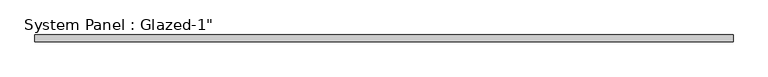
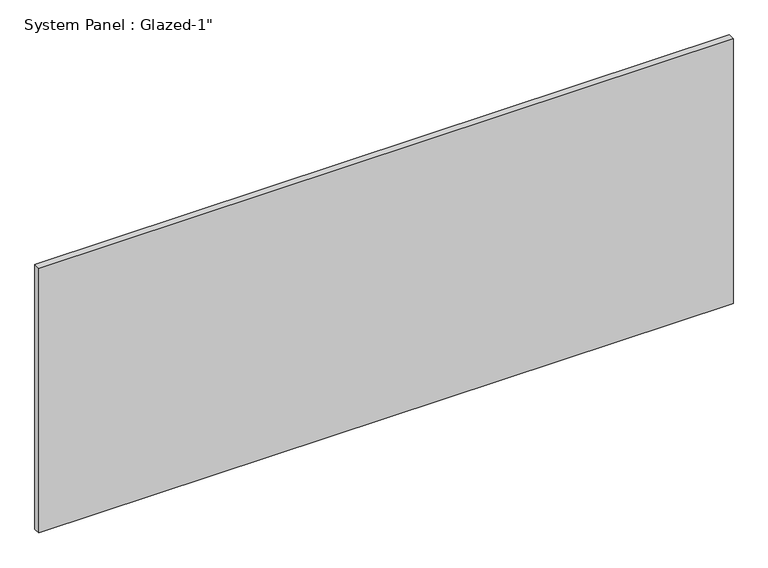
"""IFC4 building model written with IfcOpenShell, lengths in millimetres: plate geometry."""

from ifc_helpers import new_model, si_unit, origin, origin_with_axes, place, context, project, spatial, polyline, outline, extrude, source, transform, mapped, element, save


def plate_cff89b82(model_context):
    return source(origin(), model_context, "Body", "SweptSolid", [
        extrude(outline(polyline([(1289.05, 25.4), (-1289.05, 25.4), (-1289.05, 50.8), (1289.05, 50.8), (1289.05, 25.4)])), origin_with_axes(), (0.0, 0.0, 1.0), 1039.4893215),
    ])


if __name__ == "__main__":
    model = new_model("IFC4")
    model_context = context("Model", 3, world=origin())
    ifc_project = project(units=[si_unit("LENGTHUNIT", "METRE", prefix="MILLI")], contexts=[model_context])
    site = spatial("IfcSite", under=ifc_project)
    building = spatial("IfcBuilding", under=site)
    placement = place(None, origin())
    plate_shape = plate_cff89b82(model_context)
    element("IfcPlate", 1, ObjectType="System Panel : Glazed-1\"", at=placement, inside=building, context=model_context, shape_type="MappedRepresentation", body=[
        mapped(plate_shape, transform((0.0, 0.0, 0.0), x_axis=(1.0, 0.0, 0.0), y_axis=(0.0, 1.0, 0.0), z_axis=(0.0, 0.0, 1.0))),
    ])
    save(model, "model.ifc")
